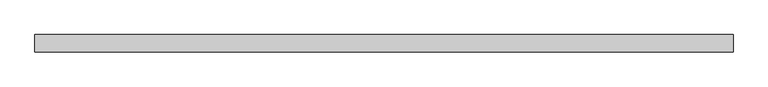
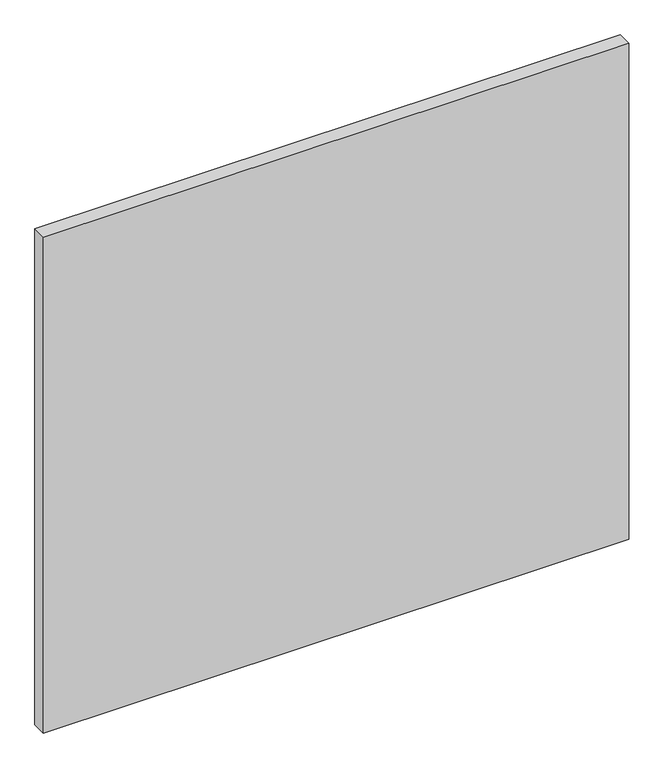
"""IFC4 building model written with IfcOpenShell, lengths in millimetres: plate geometry."""

from ifc_helpers import new_model, si_unit, origin, origin_with_axes, place, context, project, spatial, polyline, outline, extrude, source, transform, mapped, element, save


def plate_6cca3479(model_context):
    return source(origin(), model_context, "Body", "SweptSolid", [
        extrude(outline(polyline([(708.8125, -17.5), (-708.8125, -17.5), (-708.8125, 17.5), (708.8125, 17.5), (708.8125, -17.5)])), origin_with_axes(), (0.0, 0.0, 1.0), 1270.0),
    ])


if __name__ == "__main__":
    model = new_model("IFC4")
    model_context = context("Model", 3, world=origin())
    ifc_project = project(units=[si_unit("LENGTHUNIT", "METRE", prefix="MILLI")], contexts=[model_context])
    site = spatial("IfcSite", under=ifc_project)
    building = spatial("IfcBuilding", under=site)
    placement = place(None, origin())
    plate_shape = plate_6cca3479(model_context)
    element("IfcPlate", 1, at=placement, inside=building, context=model_context, shape_type="MappedRepresentation", body=[
        mapped(plate_shape, transform((0.0, 0.0, 0.0), x_axis=(1.0, 0.0, 0.0), y_axis=(0.0, 1.0, 0.0), z_axis=(0.0, 0.0, 1.0))),
    ])
    save(model, "model.ifc")
